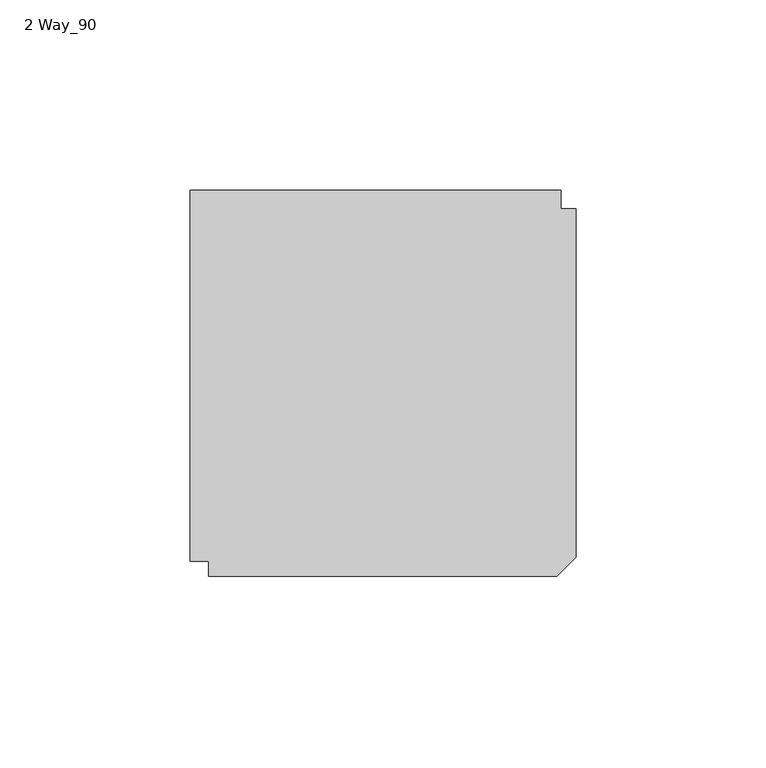
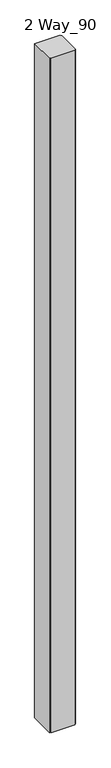
"""IFC4 building model written with IfcOpenShell, lengths in millimetres: furniture geometry, 2 Way_90."""

from ifc_helpers import new_model, si_unit, origin, origin_with_axes, place, context, project, spatial, polyline, outline, extrude, source, transform, mapped, element, save


def furniture_2_way_90_bb9f6735(model_context):
    return source(origin(), model_context, "Body", "SweptSolid", [
        extrude(outline(polyline([(127.6401531, 27.1980295), (127.6401531, 22.2450295), (131.5771531, 22.2450295), (131.5771531, -69.4489705), (126.6241531, -74.4019705), (34.9301531, -74.4019705), (34.9301531, -70.4649705), (29.9771531, -70.4649705), (29.9771531, 27.1980295), (127.6401531, 27.1980295)])), origin_with_axes(), (0.0, 0.0, 1.0), 2743.2),
    ])


if __name__ == "__main__":
    model = new_model("IFC4")
    model_context = context("Model", 3, world=origin())
    ifc_project = project(units=[si_unit("LENGTHUNIT", "METRE", prefix="MILLI")], contexts=[model_context])
    site = spatial("IfcSite", under=ifc_project)
    building = spatial("IfcBuilding", under=site)
    placement = place(None, origin())
    furniture_2_way_90_shape = furniture_2_way_90_bb9f6735(model_context)
    element("IfcFurniture", 1, ObjectType="2 Way_90", at=placement, inside=building, context=model_context, shape_type="MappedRepresentation", body=[
        mapped(furniture_2_way_90_shape, transform((0.0, 0.0, 0.0), x_axis=(1.0, 0.0, 0.0), y_axis=(0.0, 1.0, 0.0), z_axis=(0.0, 0.0, 1.0))),
    ])
    save(model, "model.ifc")
